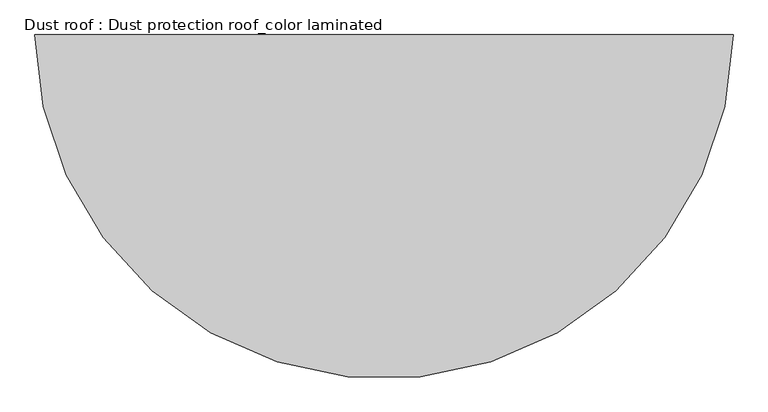
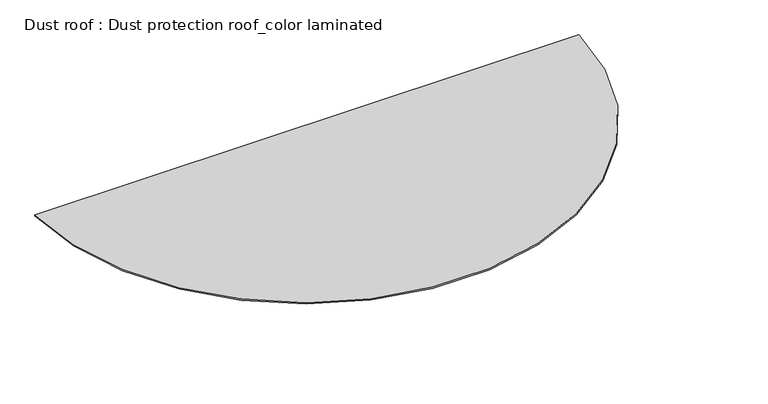
"""IFC4 building model written with IfcOpenShell, lengths in millimetres: proxy geometry, Dust roof : Dust protection roof_color laminated."""

from ifc_helpers import new_model, si_unit, point, origin, origin_with_axes, origin_2d, place, context, project, spatial, polyline, circle_curve, trimmed, segment, composite_curve, outline, extrude, source, transform, mapped, element, save


def dust_roof_dust_protection_roof_color_laminated_2e0ba869(model_context):
    return source(origin(), model_context, "Body", "SweptSolid", [
        extrude(outline(composite_curve([segment(trimmed(circle_curve(origin_2d(), 1836.0), [point((1835.8297851, -25.0))], [point((-1835.8297851, -25.0))], False, "CARTESIAN"), True, "CONTINUOUS"), segment(polyline([(-1835.8297851, -25.0), (1835.8297851, -25.0)]), True, "CONTINUOUS")], self_intersect=False)), origin_with_axes(), (0.0, 0.0, 1.0), 10.0),
    ])


if __name__ == "__main__":
    model = new_model("IFC4")
    model_context = context("Model", 3, world=origin())
    ifc_project = project(units=[si_unit("LENGTHUNIT", "METRE", prefix="MILLI")], contexts=[model_context])
    site = spatial("IfcSite", under=ifc_project)
    building = spatial("IfcBuilding", under=site)
    placement = place(None, origin())
    dust_roof_dust_protection_roof_color_laminated_shape = dust_roof_dust_protection_roof_color_laminated_2e0ba869(model_context)
    element("IfcBuildingElementProxy", 1, Name="Dust roof : Dust protection roof_color laminated", ObjectType="Dust roof : Dust protection roof_color laminated", at=placement, inside=building, context=model_context, shape_type="MappedRepresentation", body=[
        mapped(dust_roof_dust_protection_roof_color_laminated_shape, transform((0.0, 0.0, 0.0), x_axis=(1.0, 0.0, 0.0), y_axis=(0.0, 1.0, 0.0), z_axis=(0.0, 0.0, 1.0))),
    ])
    save(model, "model.ifc")
